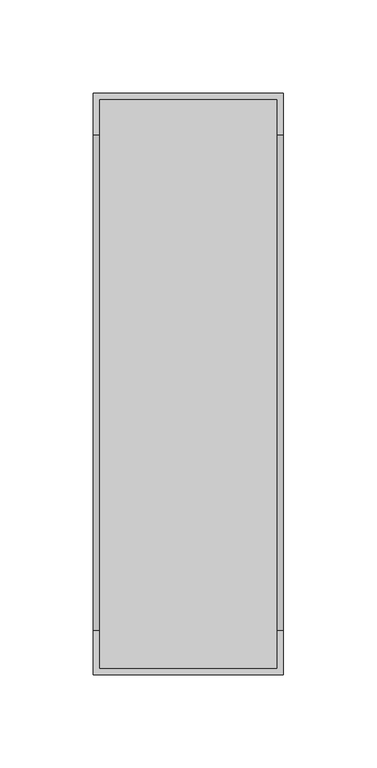
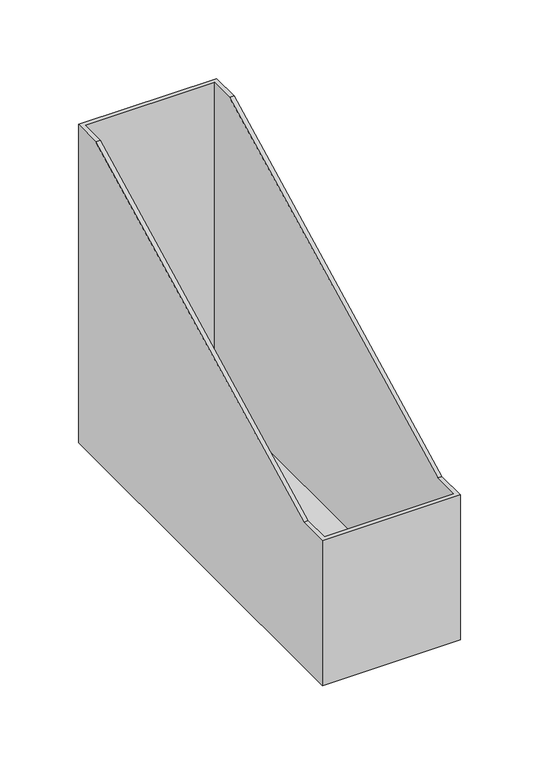
"""IFC4 building model written with IfcOpenShell, lengths in millimetres: furniture geometry."""

from ifc_helpers import new_model, si_unit, frame, origin, place, context, project, spatial, polyline, outline, extrude, faceted_brep, source, transform, mapped, element, save


def furniture_2aa2f604(model_context):
    return source(origin(), model_context, "Body", "SolidModel", [
        extrude(outline(polyline([(95.6307919, -5.9690105), (95.6307919, -305.1809795), (5.9688229, -305.1809795), (5.9688229, -5.9690105), (95.6307919, -5.9690105)]), holes=[polyline([(8.001257, -303.1489814), (93.5989392, -303.1489814), (93.5989392, -8.0010086), (8.001257, -8.0010086), (8.001257, -303.1489814)])]), frame((0.0, 0.0, 723.9), z_axis=(0.0, 0.0, 1.0), x_axis=(1.0, 0.0, 0.0)), (0.0, 0.0, 1.0), 3.0479971),
        faceted_brep([(98.5521252, -308.1020221, 730.3770029), (98.5521252, -3.0479679, 730.3770029), (3.0480709, -3.0479679, 730.3770029), (3.0480709, -308.1020221, 730.3770029), (101.600195, 0.0, 726.9479971), (101.600195, -311.1499465, 726.9479971), (0.0, -311.1499465, 726.9479971), (0.0, 0.0, 726.9479971), (0.0, 0.0, 974.725), (101.600195, 0.0, 974.725), (0.0, -311.1499465, 839.6732), (0.0, -287.6295799, 839.6732), (0.0, -22.224995, 974.7250242), (101.600195, -311.1499465, 839.6732), (101.600195, -22.224995, 974.725), (101.600195, -287.6295799, 839.6731659), (98.5521252, -287.6295799, 839.6732), (98.5521252, -308.1020221, 839.6732), (3.0480709, -308.1020221, 839.6732), (3.0480709, -287.6295799, 839.6732), (98.5521252, -22.224995, 974.7250242), (98.5521252, -3.0479679, 974.725), (3.0480709, -3.0479679, 974.725), (3.0480709, -22.224995, 974.725)], [[[0, 1, 2, 3]], [[4, 5, 6, 7]], [[4, 7, 8, 9]], [[7, 6, 10, 11, 12, 8]], [[6, 5, 13, 10]], [[5, 4, 9, 14, 15, 13]], [[16, 17, 18, 19, 11, 10, 13, 15]], [[17, 16, 20, 21, 1, 0]], [[18, 17, 0, 3]], [[19, 18, 3, 2, 22, 23]], [[9, 8, 12, 23, 22, 21, 20, 14]], [[21, 22, 2, 1]], [[19, 23, 12, 11]], [[15, 14, 20, 16]]]),
    ])


if __name__ == "__main__":
    model = new_model("IFC4")
    model_context = context("Model", 3, world=origin())
    ifc_project = project(units=[si_unit("LENGTHUNIT", "METRE", prefix="MILLI")], contexts=[model_context])
    site = spatial("IfcSite", under=ifc_project)
    building = spatial("IfcBuilding", under=site)
    placement = place(None, origin())
    furniture_shape = furniture_2aa2f604(model_context)
    element("IfcFurniture", 1, at=placement, inside=building, context=model_context, shape_type="MappedRepresentation", body=[
        mapped(furniture_shape, transform((0.0, 0.0, 0.0), x_axis=(1.0, 0.0, 0.0), y_axis=(0.0, 1.0, 0.0), z_axis=(0.0, 0.0, 1.0))),
    ])
    save(model, "model.ifc")
